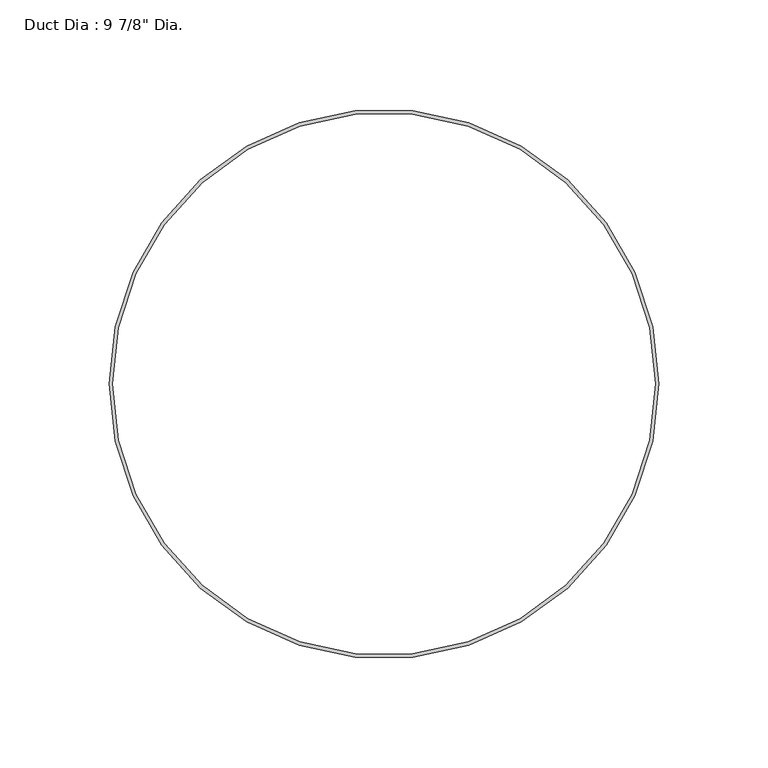
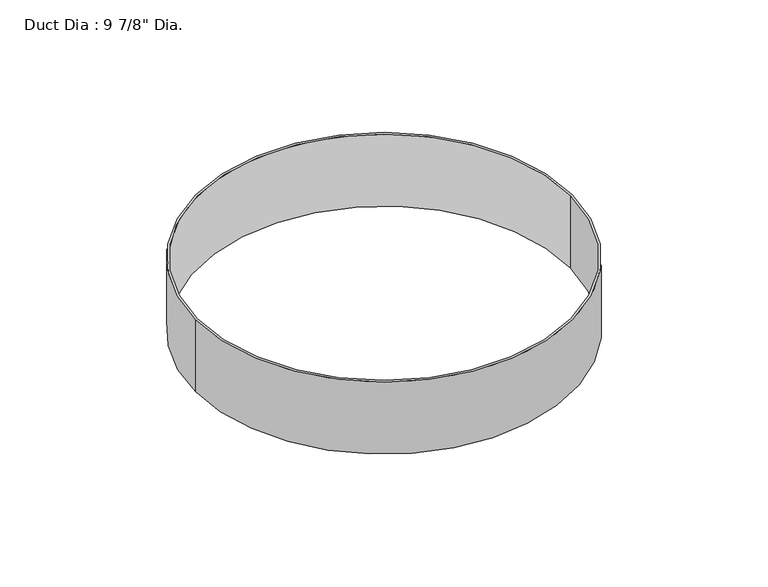
"""IFC4 building model written with IfcOpenShell, lengths in millimetres: proxy geometry."""

from ifc_helpers import new_model, si_unit, point, origin, origin_with_axes, origin_2d, place, context, project, spatial, circle_curve, trimmed, segment, composite_curve, outline, extrude, source, transform, mapped, element, save


def proxy_f04a25a4(model_context):
    return source(origin(), model_context, "Body", "SweptSolid", [
        extrude(outline(composite_curve([segment(trimmed(circle_curve(origin_2d(), 125.4125), [point((-125.4125, 0.0))], [point((125.4125, 0.0))], False, "CARTESIAN"), True, "CONTINUOUS"), segment(trimmed(circle_curve(origin_2d(), 125.4125), [point((125.4125, 0.0))], [point((-125.4125, 0.0))], False, "CARTESIAN"), True, "CONTINUOUS")], self_intersect=False), holes=[composite_curve([segment(trimmed(circle_curve(origin_2d(), 123.825), [point((-123.825, 0.0))], [point((123.825, 0.0))], True, "CARTESIAN"), True, "CONTINUOUS"), segment(trimmed(circle_curve(origin_2d(), 123.825), [point((123.825, 0.0))], [point((-123.825, 0.0))], True, "CARTESIAN"), True, "CONTINUOUS")], self_intersect=False)]), origin_with_axes(), (0.0, 0.0, 1.0), 50.8),
    ])


if __name__ == "__main__":
    model = new_model("IFC4")
    model_context = context("Model", 3, world=origin())
    ifc_project = project(units=[si_unit("LENGTHUNIT", "METRE", prefix="MILLI")], contexts=[model_context])
    site = spatial("IfcSite", under=ifc_project)
    building = spatial("IfcBuilding", under=site)
    placement = place(None, origin())
    proxy_shape = proxy_f04a25a4(model_context)
    element("IfcBuildingElementProxy", 1, Name="Duct Dia : 9 7/8\" Dia.", ObjectType="Duct Dia : 9 7/8\" Dia.", at=placement, inside=building, context=model_context, shape_type="MappedRepresentation", body=[
        mapped(proxy_shape, transform((0.0, 0.0, 0.0), x_axis=(1.0, 0.0, 0.0), y_axis=(0.0, 1.0, 0.0), z_axis=(0.0, 0.0, 1.0))),
    ])
    save(model, "model.ifc")
